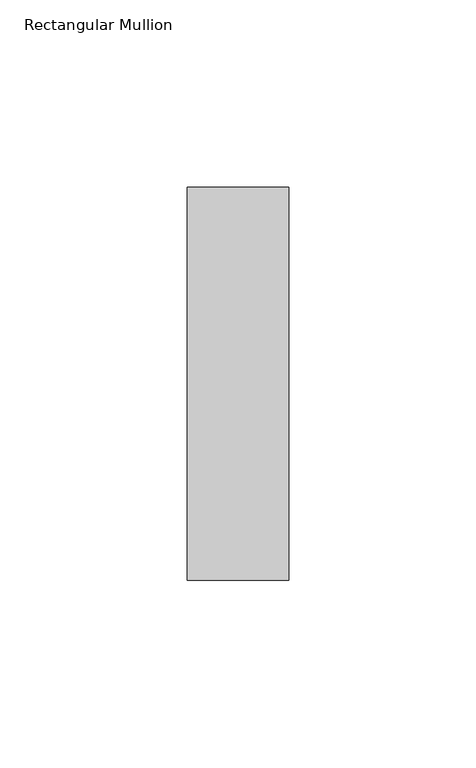
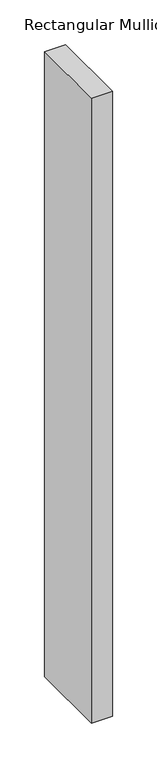
"""IFC4 building model written with IfcOpenShell, lengths in millimetres: member geometry, Rectangular Mullion."""

from ifc_helpers import new_model, si_unit, frame, origin, place, context, project, spatial, polyline, outline, extrude, source, transform, mapped, element, save


def rectangular_mullion_2ea591af(model_context):
    return source(origin(), model_context, "Body", "SweptSolid", [
        extrude(outline(polyline([(-27.0, 52.3975), (0.0, 52.3975), (0.0, -52.3975), (-27.0, -52.3975), (-27.0, 52.3975)])), frame((0.0, 0.0, -853.0), z_axis=(0.0, 0.0, 1.0), x_axis=(1.0, 0.0, 0.0)), (0.0, 0.0, 1.0), 853.0),
    ])


if __name__ == "__main__":
    model = new_model("IFC4")
    model_context = context("Model", 3, world=origin())
    ifc_project = project(units=[si_unit("LENGTHUNIT", "METRE", prefix="MILLI")], contexts=[model_context])
    site = spatial("IfcSite", under=ifc_project)
    building = spatial("IfcBuilding", under=site)
    placement = place(None, origin())
    rectangular_mullion_shape = rectangular_mullion_2ea591af(model_context)
    element("IfcMember", 1, ObjectType="Rectangular Mullion", at=placement, inside=building, context=model_context, shape_type="MappedRepresentation", body=[
        mapped(rectangular_mullion_shape, transform((0.0, 0.0, 0.0), x_axis=(1.0, 0.0, 0.0), y_axis=(0.0, 1.0, 0.0), z_axis=(0.0, 0.0, 1.0))),
    ])
    save(model, "model.ifc")
